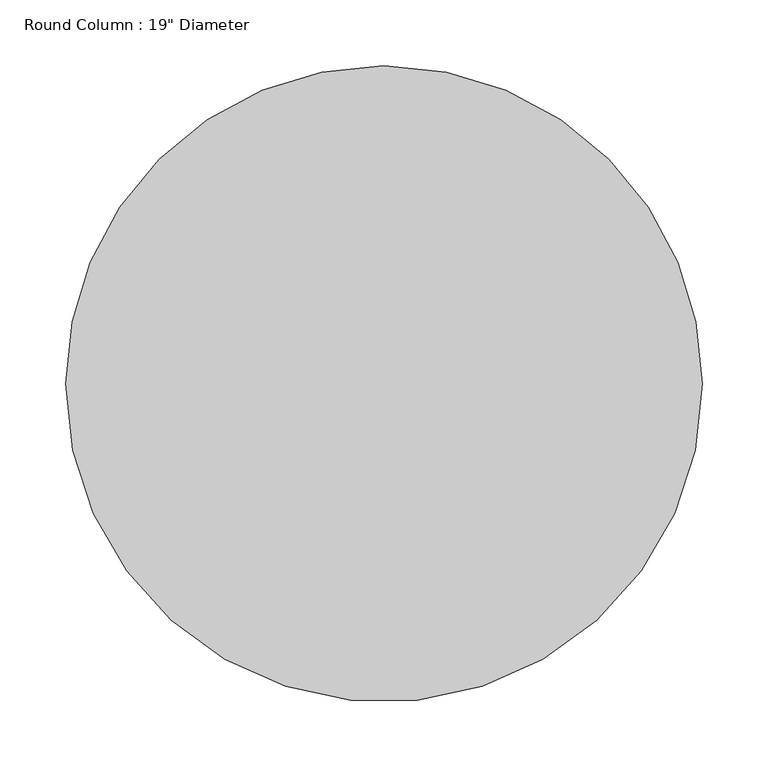
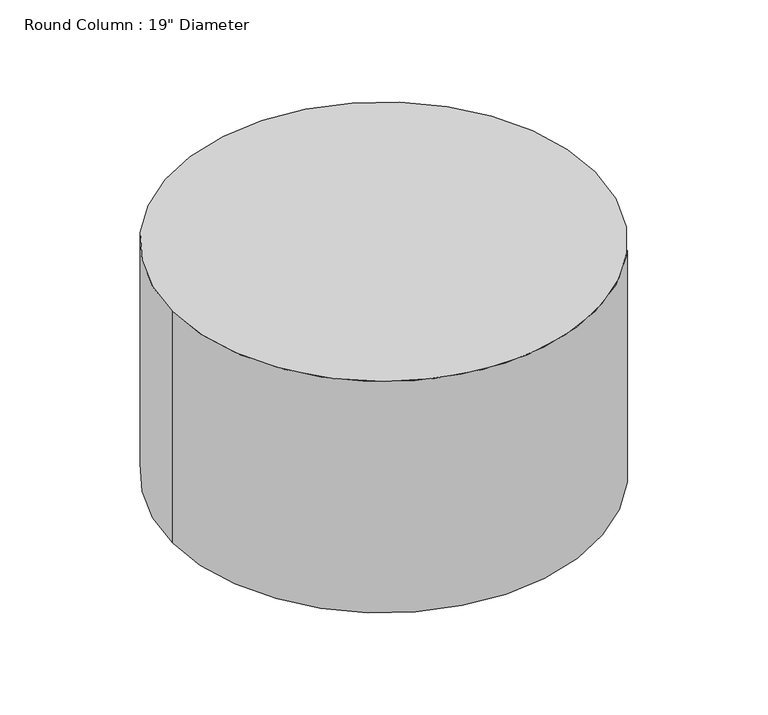
"""IFC4 building model written with IfcOpenShell, lengths in millimetres: column geometry."""

from ifc_helpers import new_model, si_unit, point, frame, origin, origin_2d, place, context, project, spatial, circle_curve, trimmed, segment, composite_curve, outline, extrude, source, transform, mapped, element, save


def column_76fc2f22(model_context):
    return source(origin(), model_context, "Body", "SweptSolid", [
        extrude(outline(composite_curve([segment(trimmed(circle_curve(origin_2d(), 241.3), [point((241.3, 0.0))], [point((-241.3, 0.0))], False, "CARTESIAN"), True, "CONTINUOUS"), segment(trimmed(circle_curve(origin_2d(), 241.3), [point((-241.3, 0.0))], [point((0.0, 241.3))], False, "CARTESIAN"), True, "CONTINUOUS"), segment(trimmed(circle_curve(origin_2d(), 241.3), [point((0.0, 241.3))], [point((241.3, 0.0))], False, "CARTESIAN"), True, "CONTINUOUS")], self_intersect=False)), frame((0.0, 0.0, -4064.0), z_axis=(0.0, 0.0, 1.0), x_axis=(1.0, 0.0, 0.0)), (0.0, 0.0, 1.0), 279.4),
    ])


if __name__ == "__main__":
    model = new_model("IFC4")
    model_context = context("Model", 3, world=origin())
    ifc_project = project(units=[si_unit("LENGTHUNIT", "METRE", prefix="MILLI")], contexts=[model_context])
    site = spatial("IfcSite", under=ifc_project)
    building = spatial("IfcBuilding", under=site)
    placement = place(None, origin())
    column_shape = column_76fc2f22(model_context)
    element("IfcColumn", 1, ObjectType="Round Column : 19\" Diameter", at=placement, inside=building, context=model_context, shape_type="MappedRepresentation", body=[
        mapped(column_shape, transform((0.0, 0.0, 0.0), x_axis=(1.0, 0.0, 0.0), y_axis=(0.0, 1.0, 0.0), z_axis=(0.0, 0.0, 1.0))),
    ])
    save(model, "model.ifc")
